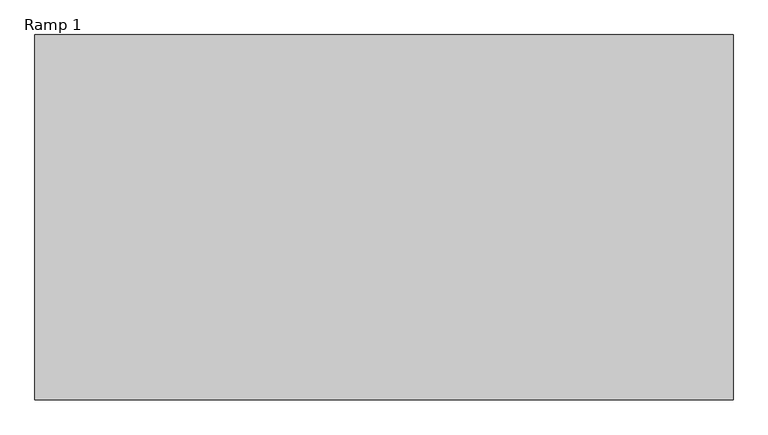
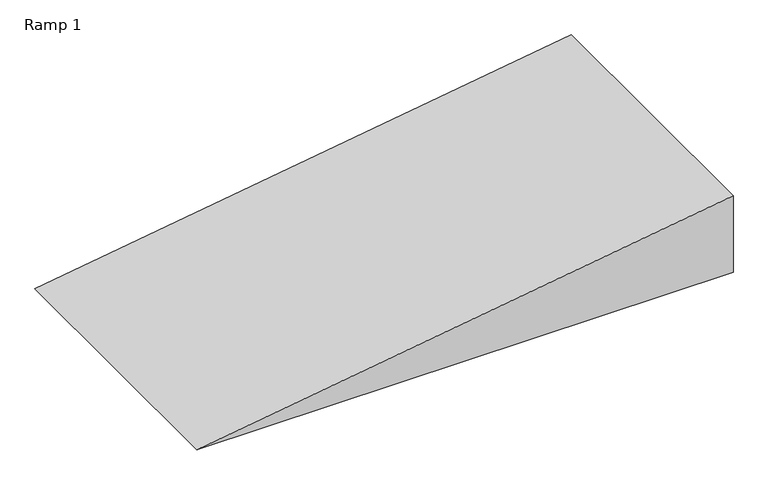
"""IFC4 building model written with IfcOpenShell, lengths in millimetres: ramp geometry, Ramp 1."""

from ifc_helpers import new_model, si_unit, frame, origin, place, context, project, spatial, polyline, outline, extrude, source, transform, mapped, element, save


def ramp_1_f52890d4(model_context):
    return source(origin(), model_context, "Body", "SweptSolid", [
        extrude(outline(polyline([(1180.0, 16419.2532617), (-150.0, 7569.2495793), (-150.0, 16419.2532617), (1180.0, 16419.2532617)])), frame((0.0, 24386.8707732, 0.0), z_axis=(0.0, 1.0, 0.0), x_axis=(0.0, 0.0, 1.0)), (0.0, 0.0, 1.0), 4629.9899328),
    ])


if __name__ == "__main__":
    model = new_model("IFC4")
    model_context = context("Model", 3, world=origin())
    ifc_project = project(units=[si_unit("LENGTHUNIT", "METRE", prefix="MILLI")], contexts=[model_context])
    site = spatial("IfcSite", under=ifc_project)
    building = spatial("IfcBuilding", under=site)
    placement = place(None, origin())
    ramp_1_shape = ramp_1_f52890d4(model_context)
    element("IfcRamp", 1, ObjectType="Ramp 1", at=placement, inside=building, context=model_context, shape_type="MappedRepresentation", body=[
        mapped(ramp_1_shape, transform((0.0, 0.0, 0.0), x_axis=(1.0, 0.0, 0.0), y_axis=(0.0, 1.0, 0.0), z_axis=(0.0, 0.0, 1.0))),
    ])
    save(model, "model.ifc")
